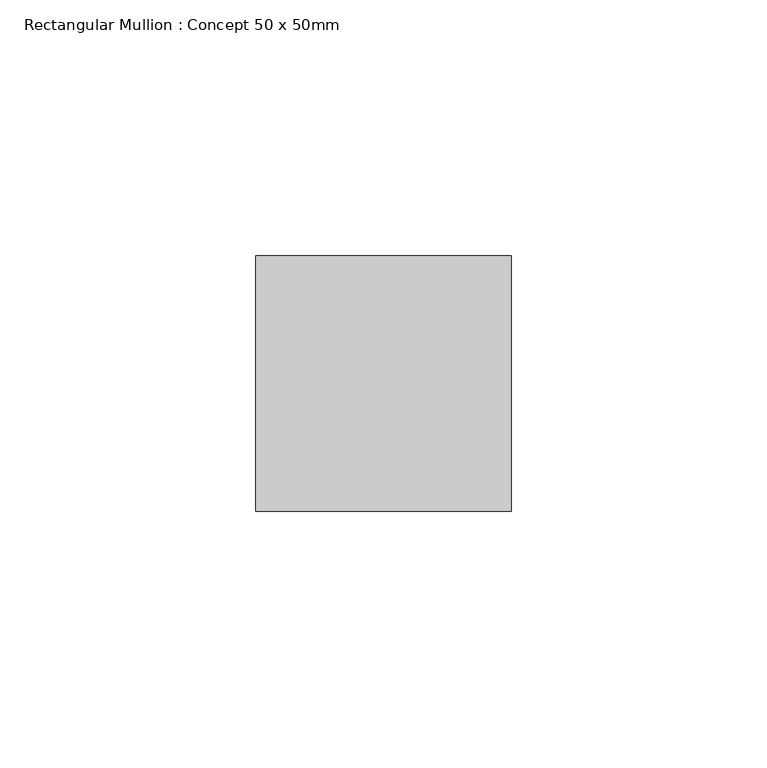
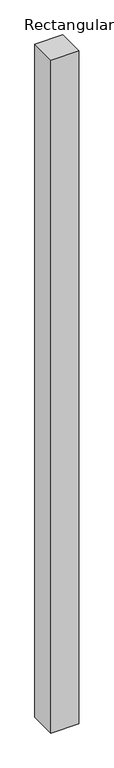
"""IFC4 building model written with IfcOpenShell, lengths in millimetres: member geometry, Rectangular Mullion : Concept 50 x 50mm."""

from ifc_helpers import new_model, si_unit, frame, origin, place, context, project, spatial, polyline, outline, extrude, source, transform, mapped, element, save


def rectangular_mullion_concept_50_x_50mm_346cbf67(model_context):
    return source(origin(), model_context, "Body", "SweptSolid", [
        extrude(outline(polyline([(0.0, 50.0), (0.0, 0.0), (-50.0, 0.0), (-50.0, 50.0), (0.0, 50.0)])), frame((0.0, 0.0, -1278.1058359), z_axis=(0.0, 0.0, 1.0), x_axis=(1.0, 0.0, 0.0)), (0.0, 0.0, 1.0), 1278.1058359),
    ])


if __name__ == "__main__":
    model = new_model("IFC4")
    model_context = context("Model", 3, world=origin())
    ifc_project = project(units=[si_unit("LENGTHUNIT", "METRE", prefix="MILLI")], contexts=[model_context])
    site = spatial("IfcSite", under=ifc_project)
    building = spatial("IfcBuilding", under=site)
    placement = place(None, origin())
    rectangular_mullion_concept_50_x_50mm_shape = rectangular_mullion_concept_50_x_50mm_346cbf67(model_context)
    element("IfcMember", 1, ObjectType="Rectangular Mullion : Concept 50 x 50mm", at=placement, inside=building, context=model_context, shape_type="MappedRepresentation", body=[
        mapped(rectangular_mullion_concept_50_x_50mm_shape, transform((0.0, 0.0, 0.0), x_axis=(1.0, 0.0, 0.0), y_axis=(0.0, 1.0, 0.0), z_axis=(0.0, 0.0, 1.0))),
    ])
    save(model, "model.ifc")
